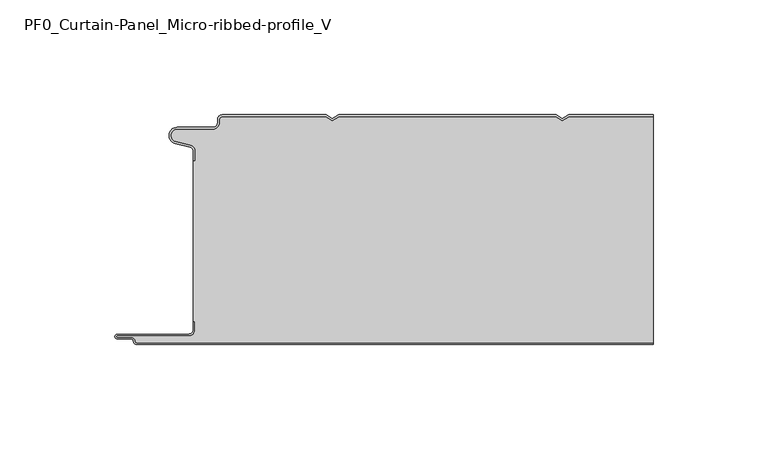
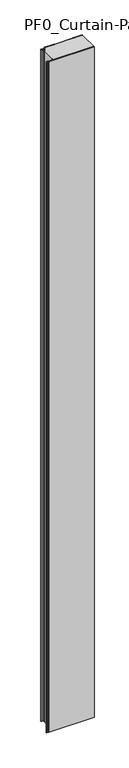
"""IFC4 building model written with IfcOpenShell, lengths in millimetres: plate geometry, PF0_Curtain-Panel_Micro-ribbed-profile_V."""

import ifcopenshell
import ifcopenshell.guid

model = None  # the IFC model being written
_history = None  # IfcOwnerHistory: only IFC2X3 demands one
_inside = {}  # id of a spatial element -> (the spatial element, [elements in it])
_under = {}  # id of a project, library or spatial element -> (it, [spatial elements below it])
_declared = {}  # id of a project -> (the project, [libraries it declares])
_typed = {}  # id of a type object -> (the type object, [elements of that type])
_made_of = {}  # id of a material, layer set ... -> (it, [elements and type objects made of it])


def new_model(schema):
    """Start an empty IFC model of exactly this schema.

    Asked for "IFC4X3", IfcOpenShell would pick the latest addendum, in which some entities
    have other attributes; the version numbers below select the first issue.
    IFC2X3 requires an IfcOwnerHistory on every rooted entity: one is made here for all.
    """
    global model, _history
    if schema == "IFC4X3":
        model = ifcopenshell.file(schema_version=(4, 3, 0, 0))
    else:
        model = ifcopenshell.file(schema=schema)
    _inside.clear()
    _under.clear()
    _declared.clear()
    _typed.clear()
    _made_of.clear()
    _history = None
    if model.schema == "IFC2X3":
        org = make("IfcOrganization", Name="unknown")
        user = make(
            "IfcPersonAndOrganization",
            ThePerson=make("IfcPerson", FamilyName="unknown"),
            TheOrganization=org,
        )
        app = make(
            "IfcApplication",
            ApplicationDeveloper=org,
            Version="unknown",
            ApplicationFullName="unknown",
            ApplicationIdentifier="unknown",
        )
        _history = make(
            "IfcOwnerHistory",
            OwningUser=user,
            OwningApplication=app,
            ChangeAction="ADDED",
            CreationDate=0,
        )
    return model


def make(cls, **values):
    """One entity of the class cls with the attributes given. An attribute that is None is left unset."""
    return model.create_entity(
        cls, **{name: value for name, value in values.items() if value is not None}
    )


def rooted(cls, **values):
    """An entity with a GlobalId (a new one), such as an element, a storey or a relation."""
    return make(cls, GlobalId=ifcopenshell.guid.new(), OwnerHistory=_history, **values)


def si_unit(unit_type, name, prefix=None):
    """IfcSIUnit, for example si_unit("LENGTHUNIT", "METRE", prefix="MILLI")."""
    return make("IfcSIUnit", UnitType=unit_type, Prefix=prefix, Name=name)


def assignment(units):
    """IfcUnitAssignment: the units of a project."""
    return None if units is None else make("IfcUnitAssignment", Units=units)


def point(xyz):
    """IfcCartesianPoint."""
    return None if xyz is None else make("IfcCartesianPoint", Coordinates=xyz)


def direction(xyz):
    """IfcDirection."""
    return None if xyz is None else make("IfcDirection", DirectionRatios=xyz)


def frame(location, z_axis=None, x_axis=None):
    """IfcAxis2Placement3D, a coordinate frame: its origin and axes. An axis left out is left unset."""
    return make(
        "IfcAxis2Placement3D",
        Location=point(location),
        Axis=direction(z_axis),
        RefDirection=direction(x_axis),
    )


def frame_2d(location, x_axis=None):
    """IfcAxis2Placement2D, a coordinate frame in the plane: its origin and x axis."""
    return make(
        "IfcAxis2Placement2D", Location=point(location), RefDirection=direction(x_axis)
    )


def origin():
    """The frame at (0, 0, 0) with its axes left unset."""
    return frame((0.0, 0.0, 0.0))


def origin_with_axes():
    """The frame at (0, 0, 0) with the z axis (0, 0, 1) and the x axis (1, 0, 0) written out."""
    return frame((0.0, 0.0, 0.0), z_axis=(0.0, 0.0, 1.0), x_axis=(1.0, 0.0, 0.0))


def place(relative_to, where):
    """IfcLocalPlacement: puts the frame where relative to a parent placement (None: the world)."""
    return make(
        "IfcLocalPlacement", PlacementRelTo=relative_to, RelativePlacement=where
    )


def context(
    kind, dimensions, precision=None, world=None, true_north=None, identifier=None
):
    """IfcGeometricRepresentationContext, for example the 3D "Model" context."""
    return make(
        "IfcGeometricRepresentationContext",
        ContextIdentifier=identifier,
        ContextType=kind,
        CoordinateSpaceDimension=dimensions,
        Precision=precision,
        WorldCoordinateSystem=world,
        TrueNorth=true_north,
    )


def project(units=None, contexts=None):
    """IfcProject with its units and contexts."""
    return rooted(
        "IfcProject",
        Name="project",
        RepresentationContexts=contexts,
        UnitsInContext=assignment(units),
    )


def spatial(cls, under=None, at=None, **own):
    """A site, building, storey or space (cls), placed at a placement, below another one or the project."""
    s = rooted(cls, ObjectPlacement=at, **own)
    if under is not None:
        _under.setdefault(under.id(), (under, []))[1].append(s)
    return s


def polyline(points):
    """IfcPolyline through the points."""
    return make("IfcPolyline", Points=[point(p) for p in points])


def circle_curve(where, radius):
    """IfcCircle in the frame where."""
    return make("IfcCircle", Position=where, Radius=radius)


def trimmed(basis, trim1, trim2, sense, master):
    """IfcTrimmedCurve: the piece of a basis curve between two trims."""
    return make(
        "IfcTrimmedCurve",
        BasisCurve=basis,
        Trim1=trim1,
        Trim2=trim2,
        SenseAgreement=sense,
        MasterRepresentation=master,
    )


def segment(curve, same_sense, transition):
    """IfcCompositeCurveSegment."""
    return make(
        "IfcCompositeCurveSegment",
        Transition=transition,
        SameSense=same_sense,
        ParentCurve=curve,
    )


def composite_curve(segments, self_intersect=None):
    """IfcCompositeCurve: segments joined end to end."""
    return make("IfcCompositeCurve", Segments=segments, SelfIntersect=self_intersect)


def outline(outer, holes=None, kind="AREA"):
    """IfcArbitraryClosedProfileDef: a profile drawn as a closed curve; with holes, ...WithVoids."""
    if holes is None:
        return make("IfcArbitraryClosedProfileDef", ProfileType=kind, OuterCurve=outer)
    return make(
        "IfcArbitraryProfileDefWithVoids",
        ProfileType=kind,
        OuterCurve=outer,
        InnerCurves=holes,
    )


def extrude(swept, where, along, depth):
    """IfcExtrudedAreaSolid: the profile swept, set in the frame where, extruded along a direction by depth."""
    return make(
        "IfcExtrudedAreaSolid",
        SweptArea=swept,
        Position=where,
        ExtrudedDirection=direction(along),
        Depth=depth,
    )


def shape(context_of_items, identifier, shape_type, items):
    """IfcShapeRepresentation: the items that make up one representation, for example the "Body"."""
    return make(
        "IfcShapeRepresentation",
        ContextOfItems=context_of_items,
        RepresentationIdentifier=identifier,
        RepresentationType=shape_type,
        Items=items,
    )


def source(mapping_origin, context_of_items, identifier, shape_type, items):
    """IfcRepresentationMap: a shape defined once, which mapped items show again and again."""
    return make(
        "IfcRepresentationMap",
        MappingOrigin=mapping_origin,
        MappedRepresentation=shape(context_of_items, identifier, shape_type, items),
    )


def transform(
    local_origin,
    x_axis=None,
    y_axis=None,
    z_axis=None,
    scale=None,
    scale2=None,
    scale3=None,
    uniform=True,
):
    """IfcCartesianTransformationOperator3D, or its non-uniform kind. x_axis, y_axis, z_axis: its Axis1, 2, 3."""
    if uniform:
        return make(
            "IfcCartesianTransformationOperator3D",
            Axis1=direction(x_axis),
            Axis2=direction(y_axis),
            LocalOrigin=point(local_origin),
            Scale=scale,
            Axis3=direction(z_axis),
        )
    return make(
        "IfcCartesianTransformationOperator3DnonUniform",
        Axis1=direction(x_axis),
        Axis2=direction(y_axis),
        LocalOrigin=point(local_origin),
        Scale=scale,
        Axis3=direction(z_axis),
        Scale2=scale2,
        Scale3=scale3,
    )


def mapped(mapping_source, mapping_target):
    """IfcMappedItem: shows the shape of a source again, moved by a transform."""
    return make(
        "IfcMappedItem", MappingSource=mapping_source, MappingTarget=mapping_target
    )


def made_of(thing, what):
    """Note that an element or type object is made of a material, layer set ...; save() writes the relation."""
    if what is not None:
        _made_of.setdefault(what.id(), (what, []))[1].append(thing)
    return thing


def element(
    cls,
    number,
    at=None,
    inside=None,
    cuts=None,
    type_object=None,
    material=None,
    context=None,
    identifier="Body",
    shape_type=None,
    held_by="IfcProductDefinitionShape",
    body=None,
    shapes=None,
    **own,
):
    """One element of the class cls, such as IfcWall. Its Tag is "e" and its number.

    at: its placement. inside: the storey or other place that contains it. cuts: it is an
    opening in that element (IfcRelVoidsElement). A single representation is given by context,
    identifier, shape_type and body (its items); several are given by shapes. held_by: the class
    of the entity that holds the representations. save() writes the other relations.
    """
    e = rooted(cls, Tag="e%d" % number, ObjectPlacement=at, **own)
    if body is not None:
        shapes = [shape(context, identifier, shape_type, body)]
    if shapes is not None:
        e.Representation = make(held_by, Representations=shapes)
    if inside is not None:
        _inside.setdefault(inside.id(), (inside, []))[1].append(e)
    if cuts is not None:
        rooted(
            "IfcRelVoidsElement", RelatingBuildingElement=cuts, RelatedOpeningElement=e
        )
    if type_object is not None:
        _typed.setdefault(type_object.id(), (type_object, []))[1].append(e)
    return made_of(e, material)


def aggregate(whole, parts):
    """IfcRelAggregates: a whole, such as a stair, and the parts it consists of."""
    return rooted("IfcRelAggregates", RelatingObject=whole, RelatedObjects=parts)


def save(model, path):
    """Write the relations noted so far, then the file.

    IfcRelAggregates (storeys below a building ...), IfcRelContainedInSpatialStructure (elements
    in a storey), IfcRelDefinesByType, IfcRelAssociatesMaterial and IfcRelDeclares: one each for
    every whole, place, type object, material and project.
    """
    for whole, parts in _under.values():
        aggregate(whole, parts)
    for where, things in _inside.values():
        rooted(
            "IfcRelContainedInSpatialStructure",
            RelatedElements=things,
            RelatingStructure=where,
        )
    for kind, things in _typed.values():
        rooted("IfcRelDefinesByType", RelatedObjects=things, RelatingType=kind)
    for what, things in _made_of.values():
        rooted("IfcRelAssociatesMaterial", RelatedObjects=things, RelatingMaterial=what)
    for by, libraries in _declared.values():
        rooted("IfcRelDeclares", RelatingContext=by, RelatedDefinitions=libraries)
    model.write(path)


def pf0_curtain_panel_micro_ribbed_profile_v_6c8370ab(model_context):
    return source(origin(), model_context, "Body", "SweptSolid", [
        extrude(outline(composite_curve([segment(trimmed(circle_curve(frame_2d((-102.0, -15.878557)), 2.0), [point((-100.0, -15.878557))], [point((-101.5500978, -13.9298169))], True, "CARTESIAN"), True, "CONTINUOUS"), segment(polyline([(-101.5500978, -13.9298169), (-107.7098239, -12.507732)]), True, "CONTINUOUS"), segment(trimmed(circle_curve(frame_2d((-106.9, -9.0)), 3.6), [point((-107.7098239, -12.507732))], [point((-106.9, -5.4))], False, "CARTESIAN"), True, "CONTINUOUS"), segment(polyline([(-106.9, -5.4), (-91.4, -5.4)]), True, "CONTINUOUS"), segment(trimmed(circle_curve(frame_2d((-91.4, -3.4)), 2.0), [point((-91.4, -5.4))], [point((-89.4, -3.4))], True, "CARTESIAN"), True, "CONTINUOUS"), segment(polyline([(-89.4, -3.4), (-89.4, -2.0)]), True, "CONTINUOUS"), segment(trimmed(circle_curve(frame_2d((-87.4, -2.0)), 2.0), [point((-89.4, -2.0))], [point((-87.4, 0.0))], False, "CARTESIAN"), True, "CONTINUOUS"), segment(polyline([(-87.4, 0.0), (-42.0999995, 0.0), (-39.4, -1.5588455), (-36.7000005, 0.0), (57.9000005, 0.0), (60.6, -1.5588455), (63.2999995, 0.0), (100.0, 0.0), (100.0, -0.8), (63.5143588, -0.8), (60.6, -2.482606), (57.6856412, -0.8), (-36.4856412, -0.8), (-39.4, -2.482606), (-42.3143588, -0.8), (-87.4, -0.8)]), True, "CONTINUOUS"), segment(trimmed(circle_curve(frame_2d((-87.4, -2.0)), 1.2), [point((-87.4, -0.8))], [point((-88.6, -2.0))], True, "CARTESIAN"), True, "CONTINUOUS"), segment(polyline([(-88.6, -2.0), (-88.6, -3.4)]), True, "CONTINUOUS"), segment(trimmed(circle_curve(frame_2d((-91.4, -3.4)), 2.8), [point((-88.6, -3.4))], [point((-91.4, -6.2))], False, "CARTESIAN"), True, "CONTINUOUS"), segment(polyline([(-91.4, -6.2), (-106.9, -6.2)]), True, "CONTINUOUS"), segment(trimmed(circle_curve(frame_2d((-106.9, -9.0)), 2.8), [point((-106.9, -6.2))], [point((-107.529863, -11.7282362))], True, "CARTESIAN"), True, "CONTINUOUS"), segment(polyline([(-107.529863, -11.7282362), (-101.370137, -13.150321)]), True, "CONTINUOUS"), segment(trimmed(circle_curve(frame_2d((-102.0, -15.878557)), 2.8), [point((-101.370137, -13.150321))], [point((-99.2, -15.878557))], False, "CARTESIAN"), True, "CONTINUOUS"), segment(polyline([(-99.2, -15.878557), (-99.2, -20.0), (-100.0, -20.0), (-100.0, -15.878557)]), True, "CONTINUOUS")], self_intersect=False)), origin_with_axes(), (0.0, 0.0, 1.0), 3500.0),
        extrude(outline(composite_curve([segment(polyline([(-99.2, -90.0), (-100.0, -90.0), (-100.0, -20.0), (-99.2, -20.0), (-99.2, -15.878557)]), True, "CONTINUOUS"), segment(trimmed(circle_curve(frame_2d((-102.0, -15.878557)), 2.8), [point((-99.2, -15.878557))], [point((-101.370137, -13.1503208))], True, "CARTESIAN"), True, "CONTINUOUS"), segment(polyline([(-101.370137, -13.1503208), (-107.529863, -11.7282362)]), True, "CONTINUOUS"), segment(trimmed(circle_curve(frame_2d((-106.9, -9.0)), 2.8), [point((-107.529863, -11.7282362))], [point((-106.9, -6.2))], False, "CARTESIAN"), True, "CONTINUOUS"), segment(polyline([(-106.9, -6.2), (-91.4, -6.2)]), True, "CONTINUOUS"), segment(trimmed(circle_curve(frame_2d((-91.4, -3.4)), 2.8), [point((-91.4, -6.2))], [point((-88.6, -3.4))], True, "CARTESIAN"), True, "CONTINUOUS"), segment(polyline([(-88.6, -3.4), (-88.6, -2.0)]), True, "CONTINUOUS"), segment(trimmed(circle_curve(frame_2d((-87.4, -2.0)), 1.2), [point((-88.6, -2.0))], [point((-87.4, -0.8))], False, "CARTESIAN"), True, "CONTINUOUS"), segment(polyline([(-87.4, -0.8), (-42.3143588, -0.8), (-39.4, -2.482606), (-36.4856412, -0.8), (57.6856412, -0.8), (60.6, -2.482606), (63.5143588, -0.8), (100.0, -0.8), (100.0, -99.2), (-124.4, -99.2)]), True, "CONTINUOUS"), segment(trimmed(circle_curve(frame_2d((-124.4, -98.4)), 0.8), [point((-124.4, -99.2))], [point((-125.2, -98.4))], False, "CARTESIAN"), True, "CONTINUOUS"), segment(trimmed(circle_curve(frame_2d((-126.9, -98.6133333)), 1.7133333), [point((-125.2, -98.4))], [point((-126.9, -96.9))], True, "CARTESIAN"), True, "CONTINUOUS"), segment(polyline([(-126.9, -96.9), (-132.8700312, -96.9)]), True, "CONTINUOUS"), segment(trimmed(circle_curve(frame_2d((-132.8700312, -96.6)), 0.3), [point((-132.8700312, -96.9))], [point((-132.8700312, -96.3))], False, "CARTESIAN"), True, "CONTINUOUS"), segment(polyline([(-132.8700312, -96.3), (-102.0, -96.3)]), True, "CONTINUOUS"), segment(trimmed(circle_curve(frame_2d((-102.0, -93.5)), 2.8), [point((-102.0, -96.3))], [point((-99.2, -93.5))], True, "CARTESIAN"), True, "CONTINUOUS"), segment(polyline([(-99.2, -93.5), (-99.2, -90.0)]), True, "CONTINUOUS")], self_intersect=False)), origin_with_axes(), (0.0, 0.0, 1.0), 3500.0),
        extrude(outline(composite_curve([segment(polyline([(-100.0, -90.0), (-99.2, -90.0), (-99.2, -93.5)]), True, "CONTINUOUS"), segment(trimmed(circle_curve(frame_2d((-102.0, -93.5)), 2.8), [point((-99.2, -93.5))], [point((-102.0, -96.3))], False, "CARTESIAN"), True, "CONTINUOUS"), segment(polyline([(-102.0, -96.3), (-132.8700312, -96.3)]), True, "CONTINUOUS"), segment(trimmed(circle_curve(frame_2d((-132.8700312, -96.6)), 0.3), [point((-132.8700312, -96.3))], [point((-132.8700312, -96.9))], True, "CARTESIAN"), True, "CONTINUOUS"), segment(polyline([(-132.8700312, -96.9), (-126.9, -96.9)]), True, "CONTINUOUS"), segment(trimmed(circle_curve(frame_2d((-126.9, -98.6133333)), 1.7133333), [point((-126.9, -96.9))], [point((-125.2, -98.4))], False, "CARTESIAN"), True, "CONTINUOUS"), segment(trimmed(circle_curve(frame_2d((-124.4, -98.4)), 0.8), [point((-125.2, -98.4))], [point((-124.4, -99.2))], True, "CARTESIAN"), True, "CONTINUOUS"), segment(polyline([(-124.4, -99.2), (100.0, -99.2), (100.0, -100.0), (-124.4, -100.0)]), True, "CONTINUOUS"), segment(trimmed(circle_curve(frame_2d((-124.4, -98.4)), 1.6), [point((-124.4, -100.0))], [point((-126.0, -98.4))], False, "CARTESIAN"), True, "CONTINUOUS"), segment(trimmed(circle_curve(frame_2d((-126.9, -98.4)), 0.9), [point((-126.0, -98.4))], [point((-126.9, -97.5))], True, "CARTESIAN"), True, "CONTINUOUS"), segment(polyline([(-126.9, -97.5), (-133.0, -97.5)]), True, "CONTINUOUS"), segment(trimmed(circle_curve(frame_2d((-133.0, -96.5)), 1.0), [point((-133.0, -97.5))], [point((-133.0, -95.5))], False, "CARTESIAN"), True, "CONTINUOUS"), segment(polyline([(-133.0, -95.5), (-102.0, -95.5)]), True, "CONTINUOUS"), segment(trimmed(circle_curve(frame_2d((-102.0, -93.5)), 2.0), [point((-102.0, -95.5))], [point((-100.0, -93.5))], True, "CARTESIAN"), True, "CONTINUOUS"), segment(polyline([(-100.0, -93.5), (-100.0, -90.0)]), True, "CONTINUOUS")], self_intersect=False)), origin_with_axes(), (0.0, 0.0, 1.0), 3500.0),
    ])


if __name__ == "__main__":
    model = new_model("IFC4")
    model_context = context("Model", 3, world=origin())
    ifc_project = project(units=[si_unit("LENGTHUNIT", "METRE", prefix="MILLI")], contexts=[model_context])
    site = spatial("IfcSite", under=ifc_project)
    building = spatial("IfcBuilding", under=site)
    placement = place(None, origin())
    pf0_curtain_panel_micro_ribbed_profile_v_shape = pf0_curtain_panel_micro_ribbed_profile_v_6c8370ab(model_context)
    element("IfcPlate", 1, ObjectType="PF0_Curtain-Panel_Micro-ribbed-profile_V", at=placement, inside=building, context=model_context, shape_type="MappedRepresentation", body=[
        mapped(pf0_curtain_panel_micro_ribbed_profile_v_shape, transform((0.0, 0.0, 0.0), x_axis=(1.0, 0.0, 0.0), y_axis=(0.0, 1.0, 0.0), z_axis=(0.0, 0.0, 1.0))),
    ])
    save(model, "model.ifc")
